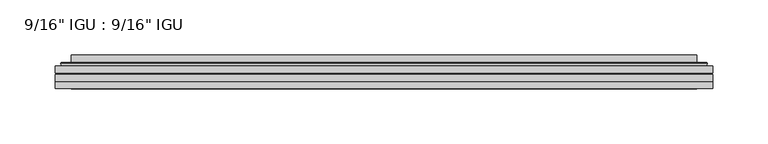
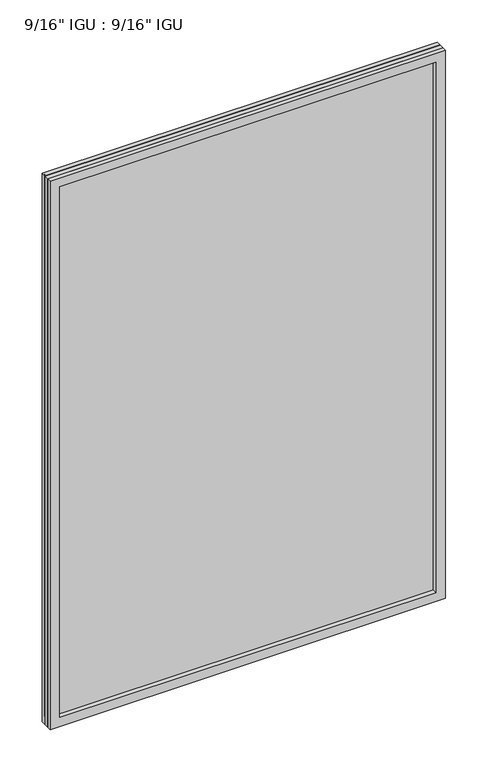
"""IFC4 building model written with IfcOpenShell, lengths in millimetres: plate geometry."""

from ifc_helpers import new_model, si_unit, frame, origin, place, context, project, spatial, polyline, ellipse_curve, outline, extrude, faceted_brep, source, transform, mapped, element, save
from ifc_brep_helpers import plane_surface, cylinder_surface, advanced_brep


def plate_dcc61e3e(model_context):
    return source(origin(), model_context, "Body", "SolidModel", [
        extrude(outline(polyline([(296.876675, -54.78145), (296.876675, -61.1317818), (-296.8625, -61.1317818), (-296.8625, -54.78145), (296.876675, -54.78145)])), frame((0.0, 0.0, -14.2875), z_axis=(0.0, 0.0, 1.0), x_axis=(1.0, 0.0, 0.0)), (0.0, 0.0, 1.0), 869.9537979),
        extrude(outline(polyline([(-296.8625, -69.05625), (-296.8625, -62.705745), (296.876675, -62.705745), (296.876675, -69.05625), (-296.8625, -69.05625)])), frame((0.0, 0.0, -14.2875), z_axis=(0.0, 0.0, 1.0), x_axis=(1.0, 0.0, 0.0)), (0.0, 0.0, 1.0), 869.9537979),
        faceted_brep([(-296.8752, -75.40625, 855.6752), (-296.8752, -69.05625, 855.6752), (-296.8752, -69.05625, -14.3002), (-296.8752, -75.40625, -14.3002), (296.8752, -69.05625, -14.3002), (296.8752, -75.40625, -14.3002), (296.8752, -69.05625, 855.6752), (296.8752, -75.40625, 855.6752), (-281.6772559, -69.05625, 0.8977441), (281.6772559, -69.05625, 0.8977441), (281.6772559, -69.05625, 840.4772559), (-281.6772559, -69.05625, 840.4772559), (-282.5696902, -75.40625, 841.3696902), (282.5696902, -75.40625, 841.3696902), (282.5696902, -75.40625, 0.0053098), (-282.5696902, -75.40625, 0.0053098)], [[[0, 1, 2, 3]], [[3, 2, 4, 5]], [[5, 4, 6, 7]], [[1, 6, 4, 2], [8, 9, 10, 11]], [[7, 6, 1, 0]], [[3, 5, 7, 0], [12, 13, 14, 15]], [[11, 12, 15, 8]], [[8, 15, 14, 9]], [[9, 14, 13, 10]], [[10, 13, 12, 11]]]),
        advanced_brep(
        [(-289.621219, -54.78145, 848.421219), (-291.9754244, -52.7917833, 850.7754244), (-291.9754244, -52.7917833, -9.4004244), (-289.621219, -54.78145, -7.046219), (-280.5468939, -50.941413, 839.3468939), (-275.6120621, -54.78145, 834.4120621), (-275.6120621, -54.78145, 6.9629379), (-280.5468939, -50.941413, 2.0281061), (-281.5789217, -45.5441819, 840.3789217), (-281.5789217, -45.5441819, 0.9960783), (-282.5695784, -45.1452069, 841.3695784), (-282.5695784, -45.1452069, 0.0054216), (-282.5695784, -51.60645, 841.3695784), (-282.5695784, -51.60645, 0.0054216), (-290.9736349, -51.60645, 849.7736349), (-290.9736349, -51.60645, -8.3986349), (291.9754244, -52.7917833, -9.4004244), (289.621219, -54.78145, -7.046219), (275.6120621, -54.78145, 6.9629379), (280.5468939, -50.941413, 2.0281061), (281.5789217, -45.5441819, 0.9960783), (282.5695784, -45.1452069, 0.0054216), (282.5695784, -51.60645, 0.0054216), (290.9736349, -51.60645, -8.3986349), (291.9754244, -52.7917833, 850.7754244), (289.621219, -54.78145, 848.421219), (275.6120621, -54.78145, 834.4120621), (280.5468939, -50.941413, 839.3468939), (281.5789217, -45.5441819, 840.3789217), (282.5695784, -45.1452069, 841.3695784), (282.5695784, -51.60645, 841.3695784), (290.9736349, -51.60645, 849.7736349)],
        [
            (0, 1, ellipse_curve(frame((-289.621219, -52.39385, 848.421219), z_axis=(-0.7071067811865475, 0.0, -0.7071067811865475), x_axis=(-0.7071067811865474, 0.0, 0.7071067811865476)), 3.3765763, 2.3876)),
            (1, 2),
            (2, 3, ellipse_curve(frame((-289.621219, -52.39385, -7.046219), z_axis=(-0.7071067811865475, 0.0, 0.7071067811865475), x_axis=(0.7071067811865474, 0.0, 0.7071067811865476)), 3.3765763, 2.3876)),
            (3, 0),
            (4, 5),
            (5, 6),
            (6, 7),
            (7, 4),
            (8, 4),
            (7, 9),
            (9, 8),
            (10, 8, ellipse_curve(frame((-282.2026219, -45.6634423, 841.0026219), z_axis=(-0.7071067811865475, 0.0, -0.7071067811865475), x_axis=(-0.7071067811865474, 0.0, 0.7071067811865476)), 0.8980256, 0.635)),
            (9, 11, ellipse_curve(frame((-282.2026219, -45.6634423, 0.3723781), z_axis=(-0.7071067811865475, 0.0, 0.7071067811865475), x_axis=(0.7071067811865474, 0.0, 0.7071067811865476)), 0.8980256, 0.635)),
            (11, 10),
            (12, 10),
            (11, 13),
            (13, 12),
            (1, 14, ellipse_curve(frame((-290.9736349, -52.62245, 849.7736349), z_axis=(-0.7071067811865475, 0.0, -0.7071067811865475), x_axis=(-0.7071067811865474, 0.0, 0.7071067811865476)), 1.436841, 1.016)),
            (14, 15),
            (15, 2, ellipse_curve(frame((-290.9736349, -52.62245, -8.3986349), z_axis=(-0.7071067811865475, 0.0, 0.7071067811865475), x_axis=(0.7071067811865474, 0.0, 0.7071067811865476)), 1.436841, 1.016)),
            (2, 16),
            (16, 17, ellipse_curve(frame((289.621219, -52.39385, -7.046219), z_axis=(-0.7071067811865475, 0.0, -0.7071067811865475), x_axis=(-0.7071067811865476, 0.0, 0.7071067811865474)), 3.3765763, 2.3876)),
            (17, 3),
            (6, 18),
            (18, 19),
            (19, 7),
            (19, 20),
            (20, 9),
            (20, 21, ellipse_curve(frame((282.2026219, -45.6634423, 0.3723781), z_axis=(-0.7071067811865475, 0.0, -0.7071067811865475), x_axis=(-0.7071067811865476, 0.0, 0.7071067811865474)), 0.8980256, 0.635)),
            (21, 11),
            (21, 22),
            (22, 13),
            (15, 23),
            (23, 16, ellipse_curve(frame((290.9736349, -52.62245, -8.3986349), z_axis=(-0.7071067811865475, 0.0, -0.7071067811865475), x_axis=(-0.7071067811865476, 0.0, 0.7071067811865474)), 1.436841, 1.016)),
            (16, 24),
            (24, 25, ellipse_curve(frame((289.621219, -52.39385, 848.421219), z_axis=(0.7071067811865475, 0.0, -0.7071067811865475), x_axis=(-0.7071067811865474, 0.0, -0.7071067811865476)), 3.3765763, 2.3876)),
            (25, 17),
            (18, 26),
            (26, 27),
            (27, 19),
            (27, 28),
            (28, 20),
            (28, 29, ellipse_curve(frame((282.2026219, -45.6634423, 841.0026219), z_axis=(0.7071067811865475, 0.0, -0.7071067811865475), x_axis=(-0.7071067811865474, 0.0, -0.7071067811865476)), 0.8980256, 0.635)),
            (29, 21),
            (29, 30),
            (30, 22),
            (23, 31),
            (31, 24, ellipse_curve(frame((290.9736349, -52.62245, 849.7736349), z_axis=(0.7071067811865475, 0.0, -0.7071067811865475), x_axis=(-0.7071067811865474, 0.0, -0.7071067811865476)), 1.436841, 1.016)),
            (24, 1),
            (0, 25),
            (5, 26),
            (4, 27),
            (8, 28),
            (10, 29),
            (12, 30),
            (14, 31),
        ],
        [
            cylinder_surface(frame((-289.621219, -52.39385, 873.125), z_axis=(0.0, 0.0, 1.0), x_axis=(-1.0, 0.0, 0.0)), 2.3876),
            plane_surface(frame((-275.6120621, -54.78145, 834.4120621), z_axis=(0.6141233906514794, 0.7892100234124821, 0.0), x_axis=(0.0, 0.0, -1.0))),
            plane_surface(frame((-280.5468939, -50.941413, 839.3468939), z_axis=(0.9822050625507728, 0.18781164793386088, 0.0), x_axis=(0.0, 0.0, -1.0))),
            cylinder_surface(frame((-282.2026219, -45.6634423, 873.125), z_axis=(0.0, 0.0, 1.0), x_axis=(-1.0, 0.0, 0.0)), 0.635),
            plane_surface(frame((-282.5695784, -45.1452069, 841.3695784), z_axis=(-1.0, 0.0, 0.0), x_axis=(0.0, 0.0, -1.0))),
            cylinder_surface(frame((-290.9736349, -52.62245, 873.125), z_axis=(0.0, 0.0, 1.0), x_axis=(-1.0, 0.0, 0.0)), 1.016),
            cylinder_surface(frame((-314.325, -52.39385, -7.046219), z_axis=(-1.0, 0.0, 0.0), x_axis=(0.0, 0.0, -1.0)), 2.3876),
            plane_surface(frame((-275.6120621, -54.78145, 6.9629379), z_axis=(0.0, 0.7892100234124841, 0.6141233906514768), x_axis=(1.0, 0.0, 0.0))),
            plane_surface(frame((-280.5468939, -50.941413, 2.0281061), z_axis=(0.0, 0.18781164793386404, 0.9822050625507722), x_axis=(1.0, 0.0, 0.0))),
            cylinder_surface(frame((-314.325, -45.6634423, 0.3723781), z_axis=(-1.0, 0.0, 0.0), x_axis=(0.0, 0.0, -1.0)), 0.635),
            plane_surface(frame((-282.5695784, -45.1452069, 0.0054216), z_axis=(0.0, 0.0, -1.0), x_axis=(1.0, 0.0, 0.0))),
            cylinder_surface(frame((-314.325, -52.62245, -8.3986349), z_axis=(-1.0, 0.0, 0.0), x_axis=(0.0, 0.0, -1.0)), 1.016),
            cylinder_surface(frame((289.621219, -52.39385, -31.75), z_axis=(0.0, 0.0, -1.0), x_axis=(1.0, 0.0, 0.0)), 2.3876),
            plane_surface(frame((275.6120621, -54.78145, 6.9629379), z_axis=(-0.6141233906514743, 0.7892100234124861, 0.0), x_axis=(0.0, 0.0, 1.0))),
            plane_surface(frame((280.5468939, -50.941413, 2.0281061), z_axis=(-0.9822050625507717, 0.1878116479338672, 0.0), x_axis=(0.0, 0.0, 1.0))),
            cylinder_surface(frame((282.2026219, -45.6634423, -31.75), z_axis=(0.0, 0.0, -1.0), x_axis=(1.0, 0.0, 0.0)), 0.635),
            plane_surface(frame((282.5695784, -45.1452069, 0.0054216), z_axis=(1.0, 0.0, 0.0), x_axis=(0.0, 0.0, 1.0))),
            cylinder_surface(frame((290.9736349, -52.62245, -31.75), z_axis=(0.0, 0.0, -1.0), x_axis=(1.0, 0.0, 0.0)), 1.016),
            cylinder_surface(frame((314.325, -52.39385, 848.421219), z_axis=(1.0, 0.0, 0.0), x_axis=(0.0, 0.0, 1.0)), 2.3876),
            plane_surface(frame((289.621219, -54.78145, 848.421219), z_axis=(0.0, -1.0, 0.0), x_axis=(-1.0, 0.0, 0.0))),
            plane_surface(frame((275.6120621, -54.78145, 834.4120621), z_axis=(0.0, 0.7892100234124841, -0.6141233906514768), x_axis=(-1.0, 0.0, 0.0))),
            plane_surface(frame((280.5468939, -50.941413, 839.3468939), z_axis=(0.0, 0.18781164793386404, -0.9822050625507722), x_axis=(-1.0, 0.0, 0.0))),
            cylinder_surface(frame((314.325, -45.6634423, 841.0026219), z_axis=(1.0, 0.0, 0.0), x_axis=(0.0, 0.0, 1.0)), 0.635),
            plane_surface(frame((282.5695784, -45.1452069, 841.3695784), z_axis=(0.0, 0.0, 1.0), x_axis=(-1.0, 0.0, 0.0))),
            plane_surface(frame((282.5695784, -51.60645, 841.3695784), z_axis=(0.0, 1.0, 0.0), x_axis=(-1.0, 0.0, 0.0))),
            cylinder_surface(frame((314.325, -52.62245, 849.7736349), z_axis=(1.0, 0.0, 0.0), x_axis=(0.0, 0.0, 1.0)), 1.016),
        ],
        [
            (0, [[1, 2, 3, 4]]),
            (1, [[5, 6, 7, 8]]),
            (2, [[9, -8, 10, 11]]),
            (3, [[12, -11, 13, 14]]),
            (4, [[15, -14, 16, 17]]),
            (5, [[18, 19, 20, -2]]),
            (6, [[-3, 21, 22, 23]]),
            (7, [[-7, 24, 25, 26]]),
            (8, [[-10, -26, 27, 28]]),
            (9, [[-13, -28, 29, 30]]),
            (10, [[-16, -30, 31, 32]]),
            (11, [[-20, 33, 34, -21]]),
            (12, [[-22, 35, 36, 37]]),
            (13, [[-25, 38, 39, 40]]),
            (14, [[-27, -40, 41, 42]]),
            (15, [[-29, -42, 43, 44]]),
            (16, [[-31, -44, 45, 46]]),
            (17, [[-34, 47, 48, -35]]),
            (18, [[-36, 49, -1, 50]]),
            (19, [[-23, -37, -50, -4], [51, -38, -24, -6]]),
            (20, [[-39, -51, -5, 52]]),
            (21, [[-41, -52, -9, 53]]),
            (22, [[-43, -53, -12, 54]]),
            (23, [[-45, -54, -15, 55]]),
            (24, [[56, -47, -33, -19], [-32, -46, -55, -17]]),
            (25, [[-48, -56, -18, -49]]),
        ],
    ),
    ])


if __name__ == "__main__":
    model = new_model("IFC4")
    model_context = context("Model", 3, world=origin())
    ifc_project = project(units=[si_unit("LENGTHUNIT", "METRE", prefix="MILLI")], contexts=[model_context])
    site = spatial("IfcSite", under=ifc_project)
    building = spatial("IfcBuilding", under=site)
    placement = place(None, origin())
    plate_shape = plate_dcc61e3e(model_context)
    element("IfcPlate", 1, ObjectType="9/16\" IGU : 9/16\" IGU", at=placement, inside=building, context=model_context, shape_type="MappedRepresentation", body=[
        mapped(plate_shape, transform((0.0, 0.0, 0.0), x_axis=(1.0, 0.0, 0.0), y_axis=(0.0, 1.0, 0.0), z_axis=(0.0, 0.0, 1.0))),
    ])
    save(model, "model.ifc")
